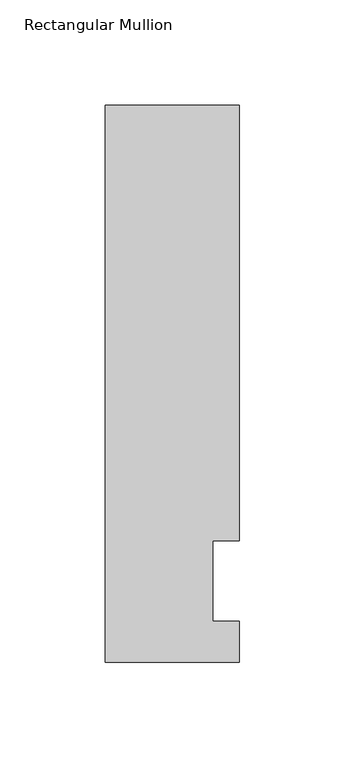
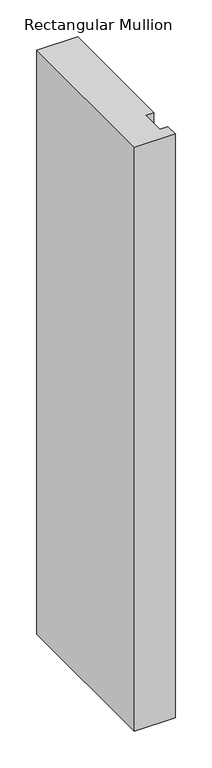
"""IFC4 building model written with IfcOpenShell, lengths in millimetres: member geometry, Rectangular Mullion."""

from ifc_helpers import new_model, si_unit, frame, origin, place, context, project, spatial, polyline, outline, extrude, source, transform, mapped, element, save


def rectangular_mullion_afb0f0e3(model_context):
    return source(origin(), model_context, "Body", "SweptSolid", [
        extrude(outline(polyline([(-63.5, 264.0210938), (0.0, 264.0210938), (0.0, 57.6460938), (-12.6873, 57.6460938), (-12.6873, 19.5460938), (0.0, 19.5460938), (0.0, 0.0134938), (-63.5, 0.0134938), (-63.5, 264.0210938)])), frame((0.0, 0.0, -965.2), z_axis=(0.0, 0.0, 1.0), x_axis=(1.0, 0.0, 0.0)), (0.0, 0.0, 1.0), 965.2),
    ])


if __name__ == "__main__":
    model = new_model("IFC4")
    model_context = context("Model", 3, world=origin())
    ifc_project = project(units=[si_unit("LENGTHUNIT", "METRE", prefix="MILLI")], contexts=[model_context])
    site = spatial("IfcSite", under=ifc_project)
    building = spatial("IfcBuilding", under=site)
    placement = place(None, origin())
    rectangular_mullion_shape = rectangular_mullion_afb0f0e3(model_context)
    element("IfcMember", 1, ObjectType="Rectangular Mullion", at=placement, inside=building, context=model_context, shape_type="MappedRepresentation", body=[
        mapped(rectangular_mullion_shape, transform((0.0, 0.0, 0.0), x_axis=(1.0, 0.0, 0.0), y_axis=(0.0, 1.0, 0.0), z_axis=(0.0, 0.0, 1.0))),
    ])
    save(model, "model.ifc")
